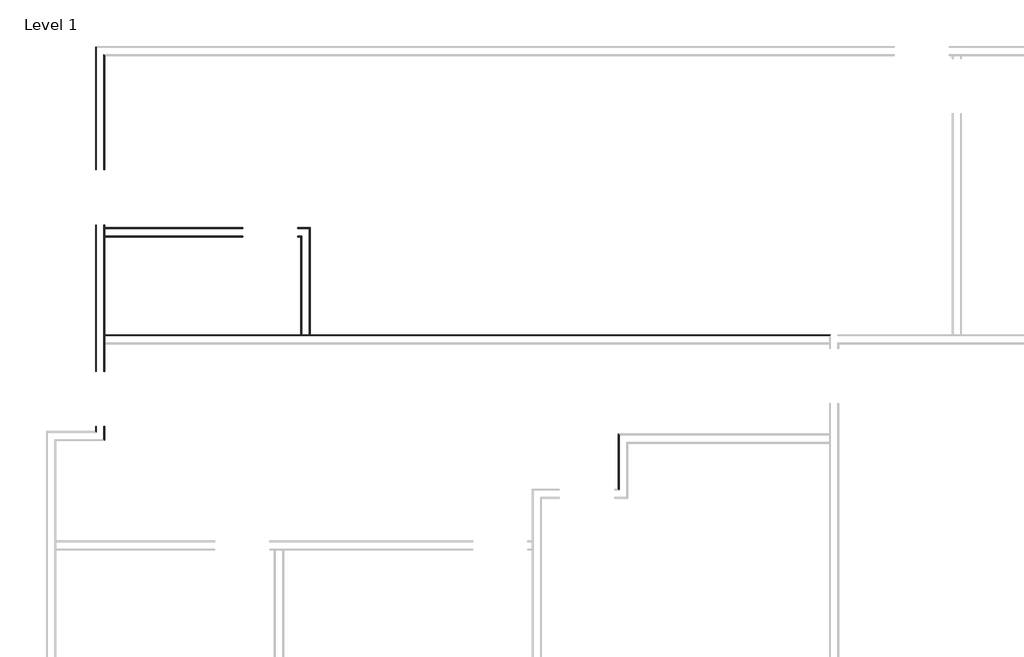
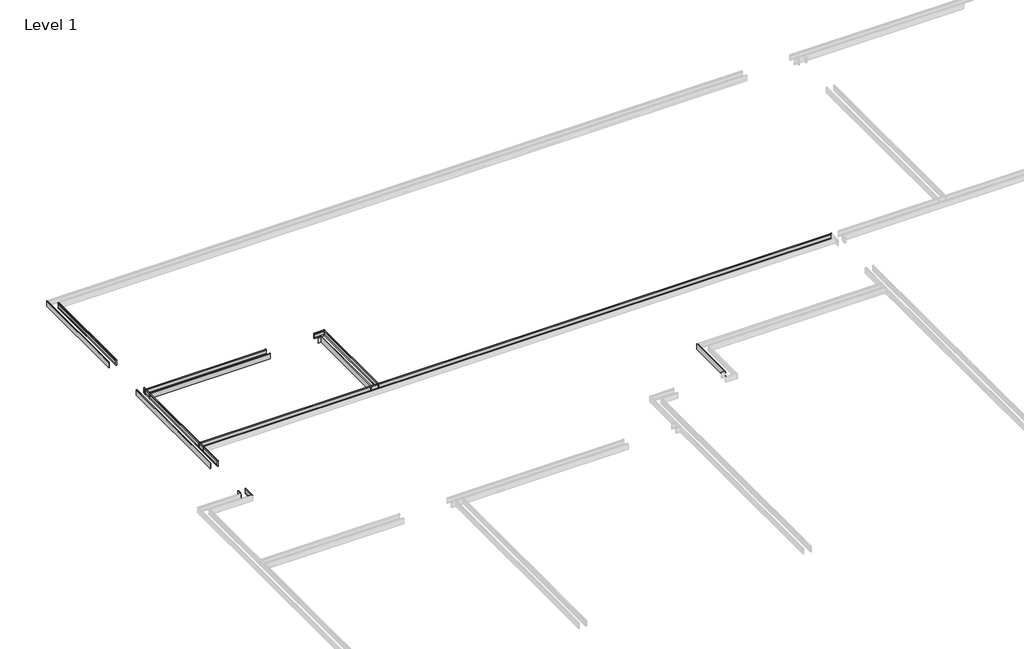
# One storey, part 47 of 51: 8 proxies.
"""IFC4 building model written with IfcOpenShell, lengths in millimetres."""

from ifc_helpers import new_model, si_unit, frame, origin, place, context, project, spatial, circle_curve, ellipse_curve, element, save
from ifc_brep_helpers import plane_surface, cylinder_surface, advanced_brep

model = new_model("IFC4")

# Units and contexts
model_context = context("Model", 3, world=origin())
ifc_project = project(units=[si_unit("LENGTHUNIT", "METRE", prefix="MILLI")], contexts=[model_context])

# Site, building, storey
site = spatial("IfcSite", under=ifc_project)
building = spatial("IfcBuilding", under=site)
storey = spatial("IfcBuildingStorey", under=building, Name="Level 1", Elevation=0.0)

# Proxies
placement = place(None, origin())
element("IfcBuildingElementProxy", 1, Name="Wall Sweeps", at=placement, inside=storey, context=model_context, shape_type="AdvancedBrep", body=[
    advanced_brep(
    [(142089.9478499, -13803.9301669, 22.1801656), (142089.9478499, -13800.5404634, 23.915644), (142089.9478499, -13800.5404634, 85.828144), (142089.9478499, -13803.9301669, 87.5505545), (142089.9478499, -13803.9301669, 107.95), (142089.9478499, -13792.8176669, 107.95), (142089.9478499, -13789.6426669, 104.775), (142089.9478499, -13789.6426669, 0.0), (142089.9478499, -13803.9301669, 0.0), (154143.553484, -13803.9301669, 22.1801656), (154143.553484, -13803.9301669, 0.0), (154143.553484, -13789.6426669, 0.0), (154143.553484, -13789.6426669, 104.775), (154143.553484, -13792.8176669, 107.95), (154143.553484, -13803.9301669, 107.95), (154143.553484, -13803.9301669, 87.5505545), (154143.553484, -13800.5404634, 85.828144), (154143.553484, -13800.5404634, 23.915644), (154129.265984, -13803.9301669, 0.0)],
    [
        (0, 1),
        (1, 2),
        (2, 3),
        (3, 4),
        (4, 5),
        (5, 6, circle_curve(frame((142089.9478499, -13792.8176669, 104.775), z_axis=(-1.0, 0.0, 0.0), x_axis=(0.0, 1.0, 0.0)), 3.175)),
        (6, 7),
        (7, 8),
        (8, 0),
        (9, 10),
        (10, 11),
        (11, 12),
        (12, 13, circle_curve(frame((154143.553484, -13792.8176669, 104.775), z_axis=(1.0, 0.0, 0.0), x_axis=(0.0, 1.0, 0.0)), 3.175)),
        (13, 14),
        (14, 15),
        (15, 16),
        (16, 17),
        (17, 9),
        (0, 9),
        (17, 1),
        (16, 2),
        (15, 3),
        (14, 4),
        (13, 5),
        (12, 6),
        (11, 7),
        (10, 18),
        (18, 8),
    ],
    [
        plane_surface(frame((142089.9478499, -13803.9301669, -108.5204596), z_axis=(-1.0, 0.0, 0.0), x_axis=(0.0, 1.0, 0.0))),
        plane_surface(frame((154143.553484, -13803.9301669, -108.5204596), z_axis=(1.0, 0.0, 0.0), x_axis=(0.0, 1.0, 0.0))),
        plane_surface(frame((142089.9478499, -13803.9301669, 22.1801656), z_axis=(0.0, -0.4557279043188856, 0.8901191365346083), x_axis=(1.0, 0.0, 0.0))),
        plane_surface(frame((142089.9478499, -13800.5404634, 23.915644), z_axis=(0.0, -1.0, 0.0), x_axis=(1.0, 0.0, 0.0))),
        plane_surface(frame((142089.9478499, -13800.5404634, 85.828144), z_axis=(0.0, -0.4530026868357818, -0.8915091506650745), x_axis=(1.0, 0.0, 0.0))),
        plane_surface(frame((142089.9478499, -13803.9301669, 87.5505545), z_axis=(0.0, -1.0, 0.0), x_axis=(1.0, 0.0, 0.0))),
        plane_surface(frame((142089.9478499, -13803.9301669, 107.95), z_axis=(0.0, 0.0, 1.0), x_axis=(1.0, 0.0, 0.0))),
        cylinder_surface(frame((142089.9478499, -13792.8176669, 104.775), z_axis=(-1.0, 0.0, 0.0), x_axis=(0.0, 1.0, 0.0)), 3.175),
        plane_surface(frame((142089.9478499, -13789.6426669, 104.775), z_axis=(0.0, 1.0, 0.0), x_axis=(1.0, 0.0, 0.0))),
        plane_surface(frame((142089.9478499, -13789.6426669, 0.0), z_axis=(0.0, 0.0, -1.0), x_axis=(1.0, 0.0, 0.0))),
        plane_surface(frame((142089.9478499, -13803.9301669, 0.0), z_axis=(0.0, -1.0, 0.0), x_axis=(1.0, 0.0, 0.0))),
    ],
    [
        (0, [[1, 2, 3, 4, 5, 6, 7, 8, 9]]),
        (1, [[10, 11, 12, 13, 14, 15, 16, 17, 18]]),
        (2, [[-1, 19, -18, 20]]),
        (3, [[-2, -20, -17, 21]]),
        (4, [[-3, -21, -16, 22]]),
        (5, [[-4, -22, -15, 23]]),
        (6, [[-5, -23, -14, 24]]),
        (7, [[-6, -24, -13, 25]]),
        (8, [[-7, -25, -12, 26]]),
        (9, [[-8, -26, -11, 27, 28]]),
        (10, [[-9, -28, -27, -10, -19]]),
    ],
),
])
element("IfcBuildingElementProxy", 2, Name="Wall Sweeps", at=placement, inside=storey, context=model_context, shape_type="AdvancedBrep", body=[
    advanced_brep(
    [(145372.615984, -13803.9301669, 22.1801656), (145369.2262805, -13803.9301669, 23.915644), (145369.2262805, -13803.9301669, 85.828144), (145372.615984, -13803.9301669, 87.5505545), (145372.615984, -13803.9301669, 107.95), (145361.503484, -13803.9301669, 107.95), (145358.328484, -13803.9301669, 104.775), (145358.328484, -13803.9301669, 0.0), (145372.615984, -13803.9301669, 0.0), (145372.615984, -12149.7551669, 22.1801656), (145372.615984, -12149.7551669, 0.0), (145358.328484, -12164.0426669, 0.0), (145358.328484, -12164.0426669, 104.775), (145361.503484, -12160.8676669, 107.95), (145372.615984, -12149.7551669, 107.95), (145372.615984, -12149.7551669, 87.5505545), (145369.2262805, -12153.1448704, 85.828144), (145369.2262805, -12153.1448704, 23.915644)],
    [
        (0, 1),
        (1, 2),
        (2, 3),
        (3, 4),
        (4, 5),
        (5, 6, circle_curve(frame((145361.503484, -13803.9301669, 104.775), z_axis=(0.0, -1.0, 0.0), x_axis=(-1.0, 0.0, 0.0)), 3.175)),
        (6, 7),
        (7, 8),
        (8, 0),
        (9, 10),
        (10, 11),
        (11, 12),
        (12, 13, ellipse_curve(frame((145361.503484, -12160.8676669, 104.775), z_axis=(-0.707106781186544, 0.7071067811865511, 0.0), x_axis=(-0.7071067811865511, -0.7071067811865439, 0.0)), 4.4901281, 3.175)),
        (13, 14),
        (14, 15),
        (15, 16),
        (16, 17),
        (17, 9),
        (0, 9),
        (17, 1),
        (16, 2),
        (15, 3),
        (14, 4),
        (13, 5),
        (12, 6),
        (11, 7),
        (10, 8),
    ],
    [
        plane_surface(frame((145264.0955244, -13803.9301669, 0.0), z_axis=(0.0, -1.0, 0.0), x_axis=(0.0, 0.0, 1.0))),
        plane_surface(frame((145372.615984, -12149.7551669, -304.8), z_axis=(-0.707106781186544, 0.7071067811865511, 0.0), x_axis=(-0.7071067811865511, -0.707106781186544, 0.0))),
        plane_surface(frame((145372.615984, -13803.9301669, 22.1801656), z_axis=(0.4557279043188856, 0.0, 0.8901191365346083), x_axis=(0.0, 1.0, 0.0))),
        plane_surface(frame((145369.2262805, -13803.9301669, 23.915644), z_axis=(1.0, 0.0, 0.0), x_axis=(0.0, 1.0, 0.0))),
        plane_surface(frame((145369.2262805, -13803.9301669, 85.828144), z_axis=(0.4530026868357818, 0.0, -0.8915091506650745), x_axis=(0.0, 1.0, 0.0))),
        plane_surface(frame((145372.615984, -13803.9301669, 87.5505545), z_axis=(1.0, 0.0, 0.0), x_axis=(0.0, 1.0, 0.0))),
        plane_surface(frame((145372.615984, -13803.9301669, 107.95), z_axis=(0.0, 0.0, 1.0), x_axis=(0.0, 1.0, 0.0))),
        cylinder_surface(frame((145361.503484, -13803.9301669, 104.775), z_axis=(0.0, -1.0, 0.0), x_axis=(-1.0, 0.0, 0.0)), 3.175),
        plane_surface(frame((145358.328484, -13803.9301669, 104.775), z_axis=(-1.0, 0.0, 0.0), x_axis=(0.0, 1.0, 0.0))),
        plane_surface(frame((145358.328484, -13803.9301669, 0.0), z_axis=(0.0, 0.0, -1.0), x_axis=(0.0, 1.0, 0.0))),
        plane_surface(frame((145372.615984, -13803.9301669, 0.0), z_axis=(1.0, 0.0, 0.0), x_axis=(0.0, 1.0, 0.0))),
    ],
    [
        (0, [[1, 2, 3, 4, 5, 6, 7, 8, 9]]),
        (1, [[10, 11, 12, 13, 14, 15, 16, 17, 18]]),
        (2, [[-1, 19, -18, 20]]),
        (3, [[-2, -20, -17, 21]]),
        (4, [[-3, -21, -16, 22]]),
        (5, [[-4, -22, -15, 23]]),
        (6, [[-5, -23, -14, 24]]),
        (7, [[-6, -24, -13, 25]]),
        (8, [[-7, -25, -12, 26]]),
        (9, [[-8, -26, -11, 27]]),
        (10, [[-9, -27, -10, -19]]),
    ],
),
])
element("IfcBuildingElementProxy", 3, Name="Wall Sweeps", at=placement, inside=storey, context=model_context, shape_type="AdvancedBrep", body=[
    advanced_brep(
    [(145496.440984, -13803.9301669, 22.1801656), (145496.440984, -13803.9301669, 0.0), (145510.728484, -13803.9301669, 0.0), (145510.728484, -13803.9301669, 104.775), (145507.553484, -13803.9301669, 107.95), (145496.440984, -13803.9301669, 107.95), (145496.440984, -13803.9301669, 87.5505545), (145499.8306875, -13803.9301669, 85.828144), (145499.8306875, -13803.9301669, 23.915644), (145496.440984, -12025.9301669, 22.1801656), (145499.8306875, -12022.5404634, 23.915644), (145499.8306875, -12022.5404634, 85.828144), (145496.440984, -12025.9301669, 87.5505545), (145496.440984, -12025.9301669, 107.95), (145507.553484, -12014.8176669, 107.95), (145510.728484, -12011.6426669, 104.775), (145510.728484, -12011.6426669, 0.0), (145496.440984, -12025.9301669, 0.0)],
    [
        (0, 1),
        (1, 2),
        (2, 3),
        (3, 4, circle_curve(frame((145507.553484, -13803.9301669, 104.775), z_axis=(0.0, -1.0, 0.0), x_axis=(1.0, 0.0, 0.0)), 3.175)),
        (4, 5),
        (5, 6),
        (6, 7),
        (7, 8),
        (8, 0),
        (9, 10),
        (10, 11),
        (11, 12),
        (12, 13),
        (13, 14),
        (14, 15, ellipse_curve(frame((145507.553484, -12014.8176669, 104.775), z_axis=(-0.707106781186544, 0.7071067811865511, 0.0), x_axis=(-0.7071067811865511, -0.7071067811865439, 0.0)), 4.4901281, 3.175)),
        (15, 16),
        (16, 17),
        (17, 9),
        (0, 9),
        (17, 1),
        (16, 2),
        (15, 3),
        (14, 4),
        (13, 5),
        (12, 6),
        (11, 7),
        (10, 8),
    ],
    [
        plane_surface(frame((145387.9205244, -13803.9301669, 0.0), z_axis=(0.0, -1.0, 0.0), x_axis=(0.0, 0.0, 1.0))),
        plane_surface(frame((145496.440984, -12025.9301669, -304.8), z_axis=(-0.707106781186544, 0.7071067811865511, 0.0), x_axis=(-0.7071067811865511, -0.707106781186544, 0.0))),
        plane_surface(frame((145496.440984, -13803.9301669, 22.1801656), z_axis=(-1.0, 0.0, 0.0), x_axis=(0.0, 1.0, 0.0))),
        plane_surface(frame((145496.440984, -13803.9301669, 0.0), z_axis=(0.0, 0.0, -1.0), x_axis=(0.0, 1.0, 0.0))),
        plane_surface(frame((145510.728484, -13803.9301669, 0.0), z_axis=(1.0, 0.0, 0.0), x_axis=(0.0, 1.0, 0.0))),
        cylinder_surface(frame((145507.553484, -13803.9301669, 104.775), z_axis=(0.0, -1.0, 0.0), x_axis=(1.0, 0.0, 0.0)), 3.175),
        plane_surface(frame((145507.553484, -13803.9301669, 107.95), z_axis=(0.0, 0.0, 1.0), x_axis=(0.0, 1.0, 0.0))),
        plane_surface(frame((145496.440984, -13803.9301669, 107.95), z_axis=(-1.0, 0.0, 0.0), x_axis=(0.0, 1.0, 0.0))),
        plane_surface(frame((145496.440984, -13803.9301669, 87.5505545), z_axis=(-0.4530026868357818, 0.0, -0.8915091506650745), x_axis=(0.0, 1.0, 0.0))),
        plane_surface(frame((145499.8306875, -13803.9301669, 85.828144), z_axis=(-1.0, 0.0, 0.0), x_axis=(0.0, 1.0, 0.0))),
        plane_surface(frame((145499.8306875, -13803.9301669, 23.915644), z_axis=(-0.4557279043188856, 0.0, 0.8901191365346083), x_axis=(0.0, 1.0, 0.0))),
    ],
    [
        (0, [[1, 2, 3, 4, 5, 6, 7, 8, 9]]),
        (1, [[10, 11, 12, 13, 14, 15, 16, 17, 18]]),
        (2, [[-1, 19, -18, 20]]),
        (3, [[-2, -20, -17, 21]]),
        (4, [[-3, -21, -16, 22]]),
        (5, [[-4, -22, -15, 23]]),
        (6, [[-5, -23, -14, 24]]),
        (7, [[-6, -24, -13, 25]]),
        (8, [[-7, -25, -12, 26]]),
        (9, [[-8, -26, -11, 27]]),
        (10, [[-9, -27, -10, -19]]),
    ],
),
])
element("IfcBuildingElementProxy", 4, Name="Wall Sweeps", at=placement, inside=storey, context=model_context, shape_type="AdvancedBrep", body=[
    advanced_brep(
    [(144393.128484, -12149.7551669, 22.1801656), (144393.128484, -12153.1448704, 23.915644), (144393.128484, -12153.1448704, 85.828144), (144393.128484, -12149.7551669, 87.5505545), (144393.128484, -12149.7551669, 107.95), (144393.128484, -12160.8676669, 107.95), (144393.128484, -12164.0426669, 104.775), (144393.128484, -12164.0426669, 0.0), (144393.128484, -12149.7551669, 0.0), (142089.9478499, -12149.7551669, 22.1801656), (142089.9478499, -12149.7551669, 0.0), (142089.9478499, -12164.0426669, 0.0), (142089.9478499, -12164.0426669, 104.775), (142089.9478499, -12160.8676669, 107.95), (142089.9478499, -12149.7551669, 107.95), (142089.9478499, -12149.7551669, 87.5505545), (142089.9478499, -12153.1448704, 85.828144), (142089.9478499, -12153.1448704, 23.915644)],
    [
        (0, 1),
        (1, 2),
        (2, 3),
        (3, 4),
        (4, 5),
        (5, 6, circle_curve(frame((144393.128484, -12160.8676669, 104.775), z_axis=(1.0, 0.0, 0.0), x_axis=(0.0, -1.0, 0.0)), 3.175)),
        (6, 7),
        (7, 8),
        (8, 0),
        (9, 10),
        (10, 11),
        (11, 12),
        (12, 13, circle_curve(frame((142089.9478499, -12160.8676669, 104.775), z_axis=(-1.0, 0.0, 0.0), x_axis=(0.0, -1.0, 0.0)), 3.175)),
        (13, 14),
        (14, 15),
        (15, 16),
        (16, 17),
        (17, 9),
        (0, 9),
        (17, 1),
        (16, 2),
        (15, 3),
        (14, 4),
        (13, 5),
        (12, 6),
        (11, 7),
        (10, 8),
    ],
    [
        plane_surface(frame((144393.128484, -12149.7551669, -108.5204596), z_axis=(1.0, 0.0, 0.0), x_axis=(0.0, -1.0, 0.0))),
        plane_surface(frame((142089.9478499, -12149.7551669, -108.5204596), z_axis=(-1.0, 0.0, 0.0), x_axis=(0.0, -1.0, 0.0))),
        plane_surface(frame((144393.128484, -12149.7551669, 22.1801656), z_axis=(0.0, 0.4557279043188856, 0.8901191365346083), x_axis=(-1.0, 0.0, 0.0))),
        plane_surface(frame((144393.128484, -12153.1448704, 23.915644), z_axis=(0.0, 1.0, 0.0), x_axis=(-1.0, 0.0, 0.0))),
        plane_surface(frame((144393.128484, -12153.1448704, 85.828144), z_axis=(0.0, 0.4530026868357818, -0.8915091506650745), x_axis=(-1.0, 0.0, 0.0))),
        plane_surface(frame((144393.128484, -12149.7551669, 87.5505545), z_axis=(0.0, 1.0, 0.0), x_axis=(-1.0, 0.0, 0.0))),
        plane_surface(frame((144393.128484, -12149.7551669, 107.95), z_axis=(0.0, 0.0, 1.0), x_axis=(-1.0, 0.0, 0.0))),
        cylinder_surface(frame((144393.128484, -12160.8676669, 104.775), z_axis=(1.0, 0.0, 0.0), x_axis=(0.0, -1.0, 0.0)), 3.175),
        plane_surface(frame((144393.128484, -12164.0426669, 104.775), z_axis=(0.0, -1.0, 0.0), x_axis=(-1.0, 0.0, 0.0))),
        plane_surface(frame((144393.128484, -12164.0426669, 0.0), z_axis=(0.0, 0.0, -1.0), x_axis=(-1.0, 0.0, 0.0))),
        plane_surface(frame((144393.128484, -12149.7551669, 0.0), z_axis=(0.0, 1.0, 0.0), x_axis=(-1.0, 0.0, 0.0))),
    ],
    [
        (0, [[1, 2, 3, 4, 5, 6, 7, 8, 9]]),
        (1, [[10, 11, 12, 13, 14, 15, 16, 17, 18]]),
        (2, [[-1, 19, -18, 20]]),
        (3, [[-2, -20, -17, 21]]),
        (4, [[-3, -21, -16, 22]]),
        (5, [[-4, -22, -15, 23]]),
        (6, [[-5, -23, -14, 24]]),
        (7, [[-6, -24, -13, 25]]),
        (8, [[-7, -25, -12, 26]]),
        (9, [[-8, -26, -11, 27]]),
        (10, [[-9, -27, -10, -19]]),
    ],
),
    advanced_brep(
    [(145372.615984, -12149.7551669, 22.1801656), (145369.2262805, -12153.1448704, 23.915644), (145369.2262805, -12153.1448704, 85.828144), (145372.615984, -12149.7551669, 87.5505545), (145372.615984, -12149.7551669, 107.95), (145361.503484, -12160.8676669, 107.95), (145358.328484, -12164.0426669, 104.775), (145358.328484, -12164.0426669, 0.0), (145372.615984, -12149.7551669, 0.0), (145307.528484, -12149.7551669, 22.1801656), (145307.528484, -12149.7551669, 0.0), (145307.528484, -12164.0426669, 0.0), (145307.528484, -12164.0426669, 104.775), (145307.528484, -12160.8676669, 107.95), (145307.528484, -12149.7551669, 107.95), (145307.528484, -12149.7551669, 87.5505545), (145307.528484, -12153.1448704, 85.828144), (145307.528484, -12153.1448704, 23.915644)],
    [
        (0, 1),
        (1, 2),
        (2, 3),
        (3, 4),
        (4, 5),
        (5, 6, ellipse_curve(frame((145361.503484, -12160.8676669, 104.775), z_axis=(0.707106781186544, -0.7071067811865511, 0.0), x_axis=(0.7071067811865508, 0.7071067811865441, 0.0)), 4.4901281, 3.175)),
        (6, 7),
        (7, 8),
        (8, 0),
        (9, 10),
        (10, 11),
        (11, 12),
        (12, 13, circle_curve(frame((145307.528484, -12160.8676669, 104.775), z_axis=(-1.0, 0.0, 0.0), x_axis=(0.0, -1.0, 0.0)), 3.175)),
        (13, 14),
        (14, 15),
        (15, 16),
        (16, 17),
        (17, 9),
        (0, 9),
        (17, 1),
        (16, 2),
        (15, 3),
        (14, 4),
        (13, 5),
        (12, 6),
        (11, 7),
        (10, 8),
    ],
    [
        plane_surface(frame((145372.615984, -12149.7551669, -304.8), z_axis=(0.707106781186544, -0.7071067811865511, 0.0), x_axis=(-0.7071067811865511, -0.707106781186544, 0.0))),
        plane_surface(frame((145307.528484, -12149.7551669, -108.5204596), z_axis=(-1.0, 0.0, 0.0), x_axis=(0.0, -1.0, 0.0))),
        plane_surface(frame((145372.615984, -12149.7551669, 22.1801656), z_axis=(0.0, 0.4557279043188856, 0.8901191365346083), x_axis=(-1.0, 0.0, 0.0))),
        plane_surface(frame((145369.2262805, -12153.1448704, 23.915644), z_axis=(0.0, 1.0, 0.0), x_axis=(-1.0, 0.0, 0.0))),
        plane_surface(frame((145369.2262805, -12153.1448704, 85.828144), z_axis=(0.0, 0.4530026868357818, -0.8915091506650745), x_axis=(-1.0, 0.0, 0.0))),
        plane_surface(frame((145372.615984, -12149.7551669, 87.5505545), z_axis=(0.0, 1.0, 0.0), x_axis=(-1.0, 0.0, 0.0))),
        plane_surface(frame((145372.615984, -12149.7551669, 107.95), z_axis=(0.0, 0.0, 1.0), x_axis=(-1.0, 0.0, 0.0))),
        cylinder_surface(frame((145372.615984, -12160.8676669, 104.775), z_axis=(1.0, 0.0, 0.0), x_axis=(0.0, -1.0, 0.0)), 3.175),
        plane_surface(frame((145358.328484, -12164.0426669, 104.775), z_axis=(0.0, -1.0, 0.0), x_axis=(-1.0, 0.0, 0.0))),
        plane_surface(frame((145358.328484, -12164.0426669, 0.0), z_axis=(0.0, 0.0, -1.0), x_axis=(-1.0, 0.0, 0.0))),
        plane_surface(frame((145372.615984, -12149.7551669, 0.0), z_axis=(0.0, 1.0, 0.0), x_axis=(-1.0, 0.0, 0.0))),
    ],
    [
        (0, [[1, 2, 3, 4, 5, 6, 7, 8, 9]]),
        (1, [[10, 11, 12, 13, 14, 15, 16, 17, 18]]),
        (2, [[-1, 19, -18, 20]]),
        (3, [[-2, -20, -17, 21]]),
        (4, [[-3, -21, -16, 22]]),
        (5, [[-4, -22, -15, 23]]),
        (6, [[-5, -23, -14, 24]]),
        (7, [[-6, -24, -13, 25]]),
        (8, [[-7, -25, -12, 26]]),
        (9, [[-8, -26, -11, 27]]),
        (10, [[-9, -27, -10, -19]]),
    ],
),
])
element("IfcBuildingElementProxy", 5, Name="Wall Sweeps", at=placement, inside=storey, context=model_context, shape_type="AdvancedBrep", body=[
    advanced_brep(
    [(145496.440984, -12025.9301669, 22.1801656), (145496.440984, -12025.9301669, 0.0), (145510.728484, -12011.6426669, 0.0), (145510.728484, -12011.6426669, 104.775), (145507.553484, -12014.8176669, 107.95), (145496.440984, -12025.9301669, 107.95), (145496.440984, -12025.9301669, 87.5505545), (145499.8306875, -12022.5404634, 85.828144), (145499.8306875, -12022.5404634, 23.915644), (145307.528484, -12025.9301669, 22.1801656), (145307.528484, -12022.5404634, 23.915644), (145307.528484, -12022.5404634, 85.828144), (145307.528484, -12025.9301669, 87.5505545), (145307.528484, -12025.9301669, 107.95), (145307.528484, -12014.8176669, 107.95), (145307.528484, -12011.6426669, 104.775), (145307.528484, -12011.6426669, 0.0), (145307.528484, -12025.9301669, 0.0), (145372.615984, -12025.9301669, 0.0)],
    [
        (0, 1),
        (1, 2),
        (2, 3),
        (3, 4, ellipse_curve(frame((145507.553484, -12014.8176669, 104.775), z_axis=(0.707106781186544, -0.7071067811865511, 0.0), x_axis=(0.7071067811865508, 0.7071067811865441, 0.0)), 4.4901281, 3.175)),
        (4, 5),
        (5, 6),
        (6, 7),
        (7, 8),
        (8, 0),
        (9, 10),
        (10, 11),
        (11, 12),
        (12, 13),
        (13, 14),
        (14, 15, circle_curve(frame((145307.528484, -12014.8176669, 104.775), z_axis=(-1.0, 0.0, 0.0), x_axis=(0.0, 1.0, 0.0)), 3.175)),
        (15, 16),
        (16, 17),
        (17, 9),
        (0, 9),
        (17, 18),
        (18, 1),
        (16, 2),
        (15, 3),
        (14, 4),
        (13, 5),
        (12, 6),
        (11, 7),
        (10, 8),
    ],
    [
        plane_surface(frame((145496.440984, -12025.9301669, -304.8), z_axis=(0.707106781186544, -0.7071067811865511, 0.0), x_axis=(-0.7071067811865511, -0.707106781186544, 0.0))),
        plane_surface(frame((145307.528484, -12025.9301669, -108.5204596), z_axis=(-1.0, 0.0, 0.0), x_axis=(0.0, -1.0, 0.0))),
        plane_surface(frame((145496.440984, -12025.9301669, 22.1801656), z_axis=(0.0, -1.0, 0.0), x_axis=(-1.0, 0.0, 0.0))),
        plane_surface(frame((145496.440984, -12025.9301669, 0.0), z_axis=(0.0, 0.0, -1.0), x_axis=(-1.0, 0.0, 0.0))),
        plane_surface(frame((145510.728484, -12011.6426669, 0.0), z_axis=(0.0, 1.0, 0.0), x_axis=(-1.0, 0.0, 0.0))),
        cylinder_surface(frame((145496.440984, -12014.8176669, 104.775), z_axis=(1.0, 0.0, 0.0), x_axis=(0.0, 1.0, 0.0)), 3.175),
        plane_surface(frame((145507.553484, -12014.8176669, 107.95), z_axis=(0.0, 0.0, 1.0), x_axis=(-1.0, 0.0, 0.0))),
        plane_surface(frame((145496.440984, -12025.9301669, 107.95), z_axis=(0.0, -1.0, 0.0), x_axis=(-1.0, 0.0, 0.0))),
        plane_surface(frame((145496.440984, -12025.9301669, 87.5505545), z_axis=(0.0, -0.4530026868357818, -0.8915091506650745), x_axis=(-1.0, 0.0, 0.0))),
        plane_surface(frame((145499.8306875, -12022.5404634, 85.828144), z_axis=(0.0, -1.0, 0.0), x_axis=(-1.0, 0.0, 0.0))),
        plane_surface(frame((145499.8306875, -12022.5404634, 23.915644), z_axis=(0.0, -0.4557279043188856, 0.8901191365346083), x_axis=(-1.0, 0.0, 0.0))),
    ],
    [
        (0, [[1, 2, 3, 4, 5, 6, 7, 8, 9]]),
        (1, [[10, 11, 12, 13, 14, 15, 16, 17, 18]]),
        (2, [[-1, 19, -18, 20, 21]]),
        (3, [[-2, -21, -20, -17, 22]]),
        (4, [[-3, -22, -16, 23]]),
        (5, [[-4, -23, -15, 24]]),
        (6, [[-5, -24, -14, 25]]),
        (7, [[-6, -25, -13, 26]]),
        (8, [[-7, -26, -12, 27]]),
        (9, [[-8, -27, -11, 28]]),
        (10, [[-9, -28, -10, -19]]),
    ],
),
    advanced_brep(
    [(144393.128484, -12025.9301669, 22.1801656), (144393.128484, -12025.9301669, 0.0), (144393.128484, -12011.6426669, 0.0), (144393.128484, -12011.6426669, 104.775), (144393.128484, -12014.8176669, 107.95), (144393.128484, -12025.9301669, 107.95), (144393.128484, -12025.9301669, 87.5505545), (144393.128484, -12022.5404634, 85.828144), (144393.128484, -12022.5404634, 23.915644), (142089.9478499, -12025.9301669, 22.1801656), (142089.9478499, -12022.5404634, 23.915644), (142089.9478499, -12022.5404634, 85.828144), (142089.9478499, -12025.9301669, 87.5505545), (142089.9478499, -12025.9301669, 107.95), (142089.9478499, -12014.8176669, 107.95), (142089.9478499, -12011.6426669, 104.775), (142089.9478499, -12011.6426669, 0.0), (142089.9478499, -12025.9301669, 0.0)],
    [
        (0, 1),
        (1, 2),
        (2, 3),
        (3, 4, circle_curve(frame((144393.128484, -12014.8176669, 104.775), z_axis=(1.0, 0.0, 0.0), x_axis=(0.0, 1.0, 0.0)), 3.175)),
        (4, 5),
        (5, 6),
        (6, 7),
        (7, 8),
        (8, 0),
        (9, 10),
        (10, 11),
        (11, 12),
        (12, 13),
        (13, 14),
        (14, 15, circle_curve(frame((142089.9478499, -12014.8176669, 104.775), z_axis=(-1.0, 0.0, 0.0), x_axis=(0.0, 1.0, 0.0)), 3.175)),
        (15, 16),
        (16, 17),
        (17, 9),
        (0, 9),
        (17, 1),
        (16, 2),
        (15, 3),
        (14, 4),
        (13, 5),
        (12, 6),
        (11, 7),
        (10, 8),
    ],
    [
        plane_surface(frame((144393.128484, -12025.9301669, -108.5204596), z_axis=(1.0, 0.0, 0.0), x_axis=(0.0, -1.0, 0.0))),
        plane_surface(frame((142089.9478499, -12025.9301669, -108.5204596), z_axis=(-1.0, 0.0, 0.0), x_axis=(0.0, -1.0, 0.0))),
        plane_surface(frame((144393.128484, -12025.9301669, 22.1801656), z_axis=(0.0, -1.0, 0.0), x_axis=(-1.0, 0.0, 0.0))),
        plane_surface(frame((144393.128484, -12025.9301669, 0.0), z_axis=(0.0, 0.0, -1.0), x_axis=(-1.0, 0.0, 0.0))),
        plane_surface(frame((144393.128484, -12011.6426669, 0.0), z_axis=(0.0, 1.0, 0.0), x_axis=(-1.0, 0.0, 0.0))),
        cylinder_surface(frame((144393.128484, -12014.8176669, 104.775), z_axis=(1.0, 0.0, 0.0), x_axis=(0.0, 1.0, 0.0)), 3.175),
        plane_surface(frame((144393.128484, -12014.8176669, 107.95), z_axis=(0.0, 0.0, 1.0), x_axis=(-1.0, 0.0, 0.0))),
        plane_surface(frame((144393.128484, -12025.9301669, 107.95), z_axis=(0.0, -1.0, 0.0), x_axis=(-1.0, 0.0, 0.0))),
        plane_surface(frame((144393.128484, -12025.9301669, 87.5505545), z_axis=(0.0, -0.4530026868357818, -0.8915091506650745), x_axis=(-1.0, 0.0, 0.0))),
        plane_surface(frame((144393.128484, -12022.5404634, 85.828144), z_axis=(0.0, -1.0, 0.0), x_axis=(-1.0, 0.0, 0.0))),
        plane_surface(frame((144393.128484, -12022.5404634, 23.915644), z_axis=(0.0, -0.4557279043188856, 0.8901191365346083), x_axis=(-1.0, 0.0, 0.0))),
    ],
    [
        (0, [[1, 2, 3, 4, 5, 6, 7, 8, 9]]),
        (1, [[10, 11, 12, 13, 14, 15, 16, 17, 18]]),
        (2, [[-1, 19, -18, 20]]),
        (3, [[-2, -20, -17, 21]]),
        (4, [[-3, -21, -16, 22]]),
        (5, [[-4, -22, -15, 23]]),
        (6, [[-5, -23, -14, 24]]),
        (7, [[-6, -24, -13, 25]]),
        (8, [[-7, -25, -12, 26]]),
        (9, [[-8, -26, -11, 27]]),
        (10, [[-9, -27, -10, -19]]),
    ],
),
])
element("IfcBuildingElementProxy", 6, Name="Wall Sweeps", at=placement, inside=storey, context=model_context, shape_type="AdvancedBrep", body=[
    advanced_brep(
    [(141966.1228499, -11049.6176669, 22.1801656), (141962.7331464, -11049.6176669, 23.915644), (141962.7331464, -11049.6176669, 85.828144), (141966.1228499, -11049.6176669, 87.5505545), (141966.1228499, -11049.6176669, 107.95), (141955.0103499, -11049.6176669, 107.95), (141951.8353499, -11049.6176669, 104.775), (141951.8353499, -11049.6176669, 0.0), (141966.1228499, -11049.6176669, 0.0), (141966.1228499, -9017.6176669, 22.1801656), (141966.1228499, -9017.6176669, 0.0), (141951.8353499, -9003.3301669, 0.0), (141951.8353499, -9003.3301669, 104.775), (141955.0103499, -9006.5051669, 107.95), (141966.1228499, -9017.6176669, 107.95), (141966.1228499, -9017.6176669, 87.5505545), (141962.7331464, -9014.2279634, 85.828144), (141962.7331464, -9014.2279634, 23.915644), (141966.1228499, -9141.4426669, 0.0)],
    [
        (0, 1),
        (1, 2),
        (2, 3),
        (3, 4),
        (4, 5),
        (5, 6, circle_curve(frame((141955.0103499, -11049.6176669, 104.775), z_axis=(0.0, -1.0, 0.0), x_axis=(-1.0, 0.0, 0.0)), 3.175)),
        (6, 7),
        (7, 8),
        (8, 0),
        (9, 10),
        (10, 11),
        (11, 12),
        (12, 13, ellipse_curve(frame((141955.0103499, -9006.5051669, 104.775), z_axis=(0.7071067811865458, 0.7071067811865493, 0.0), x_axis=(0.7071067811865493, -0.7071067811865456, 0.0)), 4.4901281, 3.175)),
        (13, 14),
        (14, 15),
        (15, 16),
        (16, 17),
        (17, 9),
        (0, 9),
        (17, 1),
        (16, 2),
        (15, 3),
        (14, 4),
        (13, 5),
        (12, 6),
        (11, 7),
        (10, 18),
        (18, 8),
    ],
    [
        plane_surface(frame((141857.6023903, -11049.6176669, 0.0), z_axis=(0.0, -1.0, 0.0), x_axis=(0.0, 0.0, 1.0))),
        plane_surface(frame((141966.1228499, -9017.6176669, 304.8), z_axis=(0.7071067811865458, 0.7071067811865493, 0.0), x_axis=(0.7071067811865493, -0.7071067811865458, 0.0))),
        plane_surface(frame((141966.1228499, -11049.6176669, 22.1801656), z_axis=(0.4557279043188856, 0.0, 0.8901191365346083), x_axis=(0.0, 1.0, 0.0))),
        plane_surface(frame((141962.7331464, -11049.6176669, 23.915644), z_axis=(1.0, 0.0, 0.0), x_axis=(0.0, 1.0, 0.0))),
        plane_surface(frame((141962.7331464, -11049.6176669, 85.828144), z_axis=(0.4530026868357818, 0.0, -0.8915091506650745), x_axis=(0.0, 1.0, 0.0))),
        plane_surface(frame((141966.1228499, -11049.6176669, 87.5505545), z_axis=(1.0, 0.0, 0.0), x_axis=(0.0, 1.0, 0.0))),
        plane_surface(frame((141966.1228499, -11049.6176669, 107.95), z_axis=(0.0, 0.0, 1.0), x_axis=(0.0, 1.0, 0.0))),
        cylinder_surface(frame((141955.0103499, -11049.6176669, 104.775), z_axis=(0.0, -1.0, 0.0), x_axis=(-1.0, 0.0, 0.0)), 3.175),
        plane_surface(frame((141951.8353499, -11049.6176669, 104.775), z_axis=(-1.0, 0.0, 0.0), x_axis=(0.0, 1.0, 0.0))),
        plane_surface(frame((141951.8353499, -11049.6176669, 0.0), z_axis=(0.0, 0.0, -1.0), x_axis=(0.0, 1.0, 0.0))),
        plane_surface(frame((141966.1228499, -11049.6176669, 0.0), z_axis=(1.0, 0.0, 0.0), x_axis=(0.0, 1.0, 0.0))),
    ],
    [
        (0, [[1, 2, 3, 4, 5, 6, 7, 8, 9]]),
        (1, [[10, 11, 12, 13, 14, 15, 16, 17, 18]]),
        (2, [[-1, 19, -18, 20]]),
        (3, [[-2, -20, -17, 21]]),
        (4, [[-3, -21, -16, 22]]),
        (5, [[-4, -22, -15, 23]]),
        (6, [[-5, -23, -14, 24]]),
        (7, [[-6, -24, -13, 25]]),
        (8, [[-7, -25, -12, 26]]),
        (9, [[-8, -26, -11, 27, 28]]),
        (10, [[-9, -28, -27, -10, -19]]),
    ],
),
    advanced_brep(
    [(141966.1228499, -14399.2426669, 22.1801656), (141962.7331464, -14399.2426669, 23.915644), (141962.7331464, -14399.2426669, 85.828144), (141966.1228499, -14399.2426669, 87.5505545), (141966.1228499, -14399.2426669, 107.95), (141955.0103499, -14399.2426669, 107.95), (141951.8353499, -14399.2426669, 104.775), (141951.8353499, -14399.2426669, 0.0), (141966.1228499, -14399.2426669, 0.0), (141966.1228499, -11964.0176669, 22.1801656), (141966.1228499, -11964.0176669, 0.0), (141951.8353499, -11964.0176669, 0.0), (141951.8353499, -11964.0176669, 104.775), (141955.0103499, -11964.0176669, 107.95), (141966.1228499, -11964.0176669, 107.95), (141966.1228499, -11964.0176669, 87.5505545), (141962.7331464, -11964.0176669, 85.828144), (141962.7331464, -11964.0176669, 23.915644)],
    [
        (0, 1),
        (1, 2),
        (2, 3),
        (3, 4),
        (4, 5),
        (5, 6, circle_curve(frame((141955.0103499, -14399.2426669, 104.775), z_axis=(0.0, -1.0, 0.0), x_axis=(-1.0, 0.0, 0.0)), 3.175)),
        (6, 7),
        (7, 8),
        (8, 0),
        (9, 10),
        (10, 11),
        (11, 12),
        (12, 13, circle_curve(frame((141955.0103499, -11964.0176669, 104.775), z_axis=(0.0, 1.0, 0.0), x_axis=(-1.0, 0.0, 0.0)), 3.175)),
        (13, 14),
        (14, 15),
        (15, 16),
        (16, 17),
        (17, 9),
        (0, 9),
        (17, 1),
        (16, 2),
        (15, 3),
        (14, 4),
        (13, 5),
        (12, 6),
        (11, 7),
        (10, 8),
    ],
    [
        plane_surface(frame((141857.6023903, -14399.2426669, 0.0), z_axis=(0.0, -1.0, 0.0), x_axis=(0.0, 0.0, 1.0))),
        plane_surface(frame((141857.6023903, -11964.0176669, 0.0), z_axis=(0.0, 1.0, 0.0), x_axis=(0.0, 0.0, 1.0))),
        plane_surface(frame((141966.1228499, -14399.2426669, 22.1801656), z_axis=(0.4557279043188856, 0.0, 0.8901191365346083), x_axis=(0.0, 1.0, 0.0))),
        plane_surface(frame((141962.7331464, -14399.2426669, 23.915644), z_axis=(1.0, 0.0, 0.0), x_axis=(0.0, 1.0, 0.0))),
        plane_surface(frame((141962.7331464, -14399.2426669, 85.828144), z_axis=(0.4530026868357818, 0.0, -0.8915091506650745), x_axis=(0.0, 1.0, 0.0))),
        plane_surface(frame((141966.1228499, -14399.2426669, 87.5505545), z_axis=(1.0, 0.0, 0.0), x_axis=(0.0, 1.0, 0.0))),
        plane_surface(frame((141966.1228499, -14399.2426669, 107.95), z_axis=(0.0, 0.0, 1.0), x_axis=(0.0, 1.0, 0.0))),
        cylinder_surface(frame((141955.0103499, -14399.2426669, 104.775), z_axis=(0.0, -1.0, 0.0), x_axis=(-1.0, 0.0, 0.0)), 3.175),
        plane_surface(frame((141951.8353499, -14399.2426669, 104.775), z_axis=(-1.0, 0.0, 0.0), x_axis=(0.0, 1.0, 0.0))),
        plane_surface(frame((141951.8353499, -14399.2426669, 0.0), z_axis=(0.0, 0.0, -1.0), x_axis=(0.0, 1.0, 0.0))),
        plane_surface(frame((141966.1228499, -14399.2426669, 0.0), z_axis=(1.0, 0.0, 0.0), x_axis=(0.0, 1.0, 0.0))),
    ],
    [
        (0, [[1, 2, 3, 4, 5, 6, 7, 8, 9]]),
        (1, [[10, 11, 12, 13, 14, 15, 16, 17, 18]]),
        (2, [[-1, 19, -18, 20]]),
        (3, [[-2, -20, -17, 21]]),
        (4, [[-3, -21, -16, 22]]),
        (5, [[-4, -22, -15, 23]]),
        (6, [[-5, -23, -14, 24]]),
        (7, [[-6, -24, -13, 25]]),
        (8, [[-7, -25, -12, 26]]),
        (9, [[-8, -26, -11, 27]]),
        (10, [[-9, -27, -10, -19]]),
    ],
),
    advanced_brep(
    [(141966.1228499, -15407.3051669, 22.1801656), (141962.7331464, -15403.9154634, 23.915644), (141962.7331464, -15403.9154634, 85.828144), (141966.1228499, -15407.3051669, 87.5505545), (141966.1228499, -15407.3051669, 107.95), (141955.0103499, -15396.1926669, 107.95), (141951.8353499, -15393.0176669, 104.775), (141951.8353499, -15393.0176669, 0.0), (141966.1228499, -15407.3051669, 0.0), (141966.1228499, -15313.6426669, 22.1801656), (141966.1228499, -15313.6426669, 0.0), (141951.8353499, -15313.6426669, 0.0), (141951.8353499, -15313.6426669, 104.775), (141955.0103499, -15313.6426669, 107.95), (141966.1228499, -15313.6426669, 107.95), (141966.1228499, -15313.6426669, 87.5505545), (141962.7331464, -15313.6426669, 85.828144), (141962.7331464, -15313.6426669, 23.915644)],
    [
        (0, 1),
        (1, 2),
        (2, 3),
        (3, 4),
        (4, 5),
        (5, 6, ellipse_curve(frame((141955.0103499, -15396.1926669, 104.775), z_axis=(-0.707106781186544, -0.7071067811865511, 0.0), x_axis=(0.7071067811865511, -0.7071067811865438, 0.0)), 4.4901281, 3.175)),
        (6, 7),
        (7, 8),
        (8, 0),
        (9, 10),
        (10, 11),
        (11, 12),
        (12, 13, circle_curve(frame((141955.0103499, -15313.6426669, 104.775), z_axis=(0.0, 1.0, 0.0), x_axis=(-1.0, 0.0, 0.0)), 3.175)),
        (13, 14),
        (14, 15),
        (15, 16),
        (16, 17),
        (17, 9),
        (0, 9),
        (17, 1),
        (16, 2),
        (15, 3),
        (14, 4),
        (13, 5),
        (12, 6),
        (11, 7),
        (10, 8),
    ],
    [
        plane_surface(frame((141966.1228499, -15407.3051669, -304.8), z_axis=(-0.707106781186544, -0.7071067811865511, 0.0), x_axis=(-0.7071067811865511, 0.707106781186544, 0.0))),
        plane_surface(frame((141857.6023903, -15313.6426669, 0.0), z_axis=(0.0, 1.0, 0.0), x_axis=(0.0, 0.0, 1.0))),
        plane_surface(frame((141966.1228499, -15407.3051669, 22.1801656), z_axis=(0.4557279043188856, 0.0, 0.8901191365346083), x_axis=(0.0, 1.0, 0.0))),
        plane_surface(frame((141962.7331464, -15403.9154634, 23.915644), z_axis=(1.0, 0.0, 0.0), x_axis=(0.0, 1.0, 0.0))),
        plane_surface(frame((141962.7331464, -15403.9154634, 85.828144), z_axis=(0.4530026868357818, 0.0, -0.8915091506650745), x_axis=(0.0, 1.0, 0.0))),
        plane_surface(frame((141966.1228499, -15407.3051669, 87.5505545), z_axis=(1.0, 0.0, 0.0), x_axis=(0.0, 1.0, 0.0))),
        plane_surface(frame((141966.1228499, -15407.3051669, 107.95), z_axis=(0.0, 0.0, 1.0), x_axis=(0.0, 1.0, 0.0))),
        cylinder_surface(frame((141955.0103499, -15407.3051669, 104.775), z_axis=(0.0, -1.0, 0.0), x_axis=(-1.0, 0.0, 0.0)), 3.175),
        plane_surface(frame((141951.8353499, -15393.0176669, 104.775), z_axis=(-1.0, 0.0, 0.0), x_axis=(0.0, 1.0, 0.0))),
        plane_surface(frame((141951.8353499, -15393.0176669, 0.0), z_axis=(0.0, 0.0, -1.0), x_axis=(0.0, 1.0, 0.0))),
        plane_surface(frame((141966.1228499, -15407.3051669, 0.0), z_axis=(1.0, 0.0, 0.0), x_axis=(0.0, 1.0, 0.0))),
    ],
    [
        (0, [[1, 2, 3, 4, 5, 6, 7, 8, 9]]),
        (1, [[10, 11, 12, 13, 14, 15, 16, 17, 18]]),
        (2, [[-1, 19, -18, 20]]),
        (3, [[-2, -20, -17, 21]]),
        (4, [[-3, -21, -16, 22]]),
        (5, [[-4, -22, -15, 23]]),
        (6, [[-5, -23, -14, 24]]),
        (7, [[-6, -24, -13, 25]]),
        (8, [[-7, -25, -12, 26]]),
        (9, [[-8, -26, -11, 27]]),
        (10, [[-9, -27, -10, -19]]),
    ],
),
])
element("IfcBuildingElementProxy", 7, Name="Wall Sweeps", at=placement, inside=storey, context=model_context, shape_type="AdvancedBrep", body=[
    advanced_brep(
    [(142089.9478499, -15531.1301669, 22.1801656), (142089.9478499, -15531.1301669, 0.0), (142104.2353499, -15545.4176669, 0.0), (142104.2353499, -15545.4176669, 104.775), (142101.0603499, -15542.2426669, 107.95), (142089.9478499, -15531.1301669, 107.95), (142089.9478499, -15531.1301669, 87.5505545), (142093.3375534, -15534.5198704, 85.828144), (142093.3375534, -15534.5198704, 23.915644), (142089.9478499, -15313.6426669, 22.1801656), (142093.3375534, -15313.6426669, 23.915644), (142093.3375534, -15313.6426669, 85.828144), (142089.9478499, -15313.6426669, 87.5505545), (142089.9478499, -15313.6426669, 107.95), (142101.0603499, -15313.6426669, 107.95), (142104.2353499, -15313.6426669, 104.775), (142104.2353499, -15313.6426669, 0.0), (142089.9478499, -15313.6426669, 0.0)],
    [
        (0, 1),
        (1, 2),
        (2, 3),
        (3, 4, ellipse_curve(frame((142101.0603499, -15542.2426669, 104.775), z_axis=(-0.707106781186544, -0.7071067811865511, 0.0), x_axis=(0.7071067811865511, -0.7071067811865438, 0.0)), 4.4901281, 3.175)),
        (4, 5),
        (5, 6),
        (6, 7),
        (7, 8),
        (8, 0),
        (9, 10),
        (10, 11),
        (11, 12),
        (12, 13),
        (13, 14),
        (14, 15, circle_curve(frame((142101.0603499, -15313.6426669, 104.775), z_axis=(0.0, 1.0, 0.0), x_axis=(1.0, 0.0, 0.0)), 3.175)),
        (15, 16),
        (16, 17),
        (17, 9),
        (0, 9),
        (17, 1),
        (16, 2),
        (15, 3),
        (14, 4),
        (13, 5),
        (12, 6),
        (11, 7),
        (10, 8),
    ],
    [
        plane_surface(frame((142089.9478499, -15531.1301669, -304.8), z_axis=(-0.707106781186544, -0.7071067811865511, 0.0), x_axis=(-0.7071067811865511, 0.707106781186544, 0.0))),
        plane_surface(frame((141981.4273903, -15313.6426669, 0.0), z_axis=(0.0, 1.0, 0.0), x_axis=(0.0, 0.0, 1.0))),
        plane_surface(frame((142089.9478499, -15531.1301669, 22.1801656), z_axis=(-1.0, 0.0, 0.0), x_axis=(0.0, 1.0, 0.0))),
        plane_surface(frame((142089.9478499, -15531.1301669, 0.0), z_axis=(0.0, 0.0, -1.0), x_axis=(0.0, 1.0, 0.0))),
        plane_surface(frame((142104.2353499, -15545.4176669, 0.0), z_axis=(1.0, 0.0, 0.0), x_axis=(0.0, 1.0, 0.0))),
        cylinder_surface(frame((142101.0603499, -15531.1301669, 104.775), z_axis=(0.0, -1.0, 0.0), x_axis=(1.0, 0.0, 0.0)), 3.175),
        plane_surface(frame((142101.0603499, -15542.2426669, 107.95), z_axis=(0.0, 0.0, 1.0), x_axis=(0.0, 1.0, 0.0))),
        plane_surface(frame((142089.9478499, -15531.1301669, 107.95), z_axis=(-1.0, 0.0, 0.0), x_axis=(0.0, 1.0, 0.0))),
        plane_surface(frame((142089.9478499, -15531.1301669, 87.5505545), z_axis=(-0.4530026868357818, 0.0, -0.8915091506650745), x_axis=(0.0, 1.0, 0.0))),
        plane_surface(frame((142093.3375534, -15534.5198704, 85.828144), z_axis=(-1.0, 0.0, 0.0), x_axis=(0.0, 1.0, 0.0))),
        plane_surface(frame((142093.3375534, -15534.5198704, 23.915644), z_axis=(-0.4557279043188856, 0.0, 0.8901191365346083), x_axis=(0.0, 1.0, 0.0))),
    ],
    [
        (0, [[1, 2, 3, 4, 5, 6, 7, 8, 9]]),
        (1, [[10, 11, 12, 13, 14, 15, 16, 17, 18]]),
        (2, [[-1, 19, -18, 20]]),
        (3, [[-2, -20, -17, 21]]),
        (4, [[-3, -21, -16, 22]]),
        (5, [[-4, -22, -15, 23]]),
        (6, [[-5, -23, -14, 24]]),
        (7, [[-6, -24, -13, 25]]),
        (8, [[-7, -25, -12, 26]]),
        (9, [[-8, -26, -11, 27]]),
        (10, [[-9, -27, -10, -19]]),
    ],
),
    advanced_brep(
    [(142089.9478499, -14399.2426669, 22.1801656), (142089.9478499, -14399.2426669, 0.0), (142104.2353499, -14399.2426669, 0.0), (142104.2353499, -14399.2426669, 104.775), (142101.0603499, -14399.2426669, 107.95), (142089.9478499, -14399.2426669, 107.95), (142089.9478499, -14399.2426669, 87.5505545), (142093.3375534, -14399.2426669, 85.828144), (142093.3375534, -14399.2426669, 23.915644), (142089.9478499, -11964.0176669, 22.1801656), (142093.3375534, -11964.0176669, 23.915644), (142093.3375534, -11964.0176669, 85.828144), (142089.9478499, -11964.0176669, 87.5505545), (142089.9478499, -11964.0176669, 107.95), (142101.0603499, -11964.0176669, 107.95), (142104.2353499, -11964.0176669, 104.775), (142104.2353499, -11964.0176669, 0.0), (142089.9478499, -11964.0176669, 0.0)],
    [
        (0, 1),
        (1, 2),
        (2, 3),
        (3, 4, circle_curve(frame((142101.0603499, -14399.2426669, 104.775), z_axis=(0.0, -1.0, 0.0), x_axis=(1.0, 0.0, 0.0)), 3.175)),
        (4, 5),
        (5, 6),
        (6, 7),
        (7, 8),
        (8, 0),
        (9, 10),
        (10, 11),
        (11, 12),
        (12, 13),
        (13, 14),
        (14, 15, circle_curve(frame((142101.0603499, -11964.0176669, 104.775), z_axis=(0.0, 1.0, 0.0), x_axis=(1.0, 0.0, 0.0)), 3.175)),
        (15, 16),
        (16, 17),
        (17, 9),
        (0, 9),
        (17, 1),
        (16, 2),
        (15, 3),
        (14, 4),
        (13, 5),
        (12, 6),
        (11, 7),
        (10, 8),
    ],
    [
        plane_surface(frame((141981.4273903, -14399.2426669, 0.0), z_axis=(0.0, -1.0, 0.0), x_axis=(0.0, 0.0, 1.0))),
        plane_surface(frame((141981.4273903, -11964.0176669, 0.0), z_axis=(0.0, 1.0, 0.0), x_axis=(0.0, 0.0, 1.0))),
        plane_surface(frame((142089.9478499, -14399.2426669, 22.1801656), z_axis=(-1.0, 0.0, 0.0), x_axis=(0.0, 1.0, 0.0))),
        plane_surface(frame((142089.9478499, -14399.2426669, 0.0), z_axis=(0.0, 0.0, -1.0), x_axis=(0.0, 1.0, 0.0))),
        plane_surface(frame((142104.2353499, -14399.2426669, 0.0), z_axis=(1.0, 0.0, 0.0), x_axis=(0.0, 1.0, 0.0))),
        cylinder_surface(frame((142101.0603499, -14399.2426669, 104.775), z_axis=(0.0, -1.0, 0.0), x_axis=(1.0, 0.0, 0.0)), 3.175),
        plane_surface(frame((142101.0603499, -14399.2426669, 107.95), z_axis=(0.0, 0.0, 1.0), x_axis=(0.0, 1.0, 0.0))),
        plane_surface(frame((142089.9478499, -14399.2426669, 107.95), z_axis=(-1.0, 0.0, 0.0), x_axis=(0.0, 1.0, 0.0))),
        plane_surface(frame((142089.9478499, -14399.2426669, 87.5505545), z_axis=(-0.4530026868357818, 0.0, -0.8915091506650745), x_axis=(0.0, 1.0, 0.0))),
        plane_surface(frame((142093.3375534, -14399.2426669, 85.828144), z_axis=(-1.0, 0.0, 0.0), x_axis=(0.0, 1.0, 0.0))),
        plane_surface(frame((142093.3375534, -14399.2426669, 23.915644), z_axis=(-0.4557279043188856, 0.0, 0.8901191365346083), x_axis=(0.0, 1.0, 0.0))),
    ],
    [
        (0, [[1, 2, 3, 4, 5, 6, 7, 8, 9]]),
        (1, [[10, 11, 12, 13, 14, 15, 16, 17, 18]]),
        (2, [[-1, 19, -18, 20]]),
        (3, [[-2, -20, -17, 21]]),
        (4, [[-3, -21, -16, 22]]),
        (5, [[-4, -22, -15, 23]]),
        (6, [[-5, -23, -14, 24]]),
        (7, [[-6, -24, -13, 25]]),
        (8, [[-7, -25, -12, 26]]),
        (9, [[-8, -26, -11, 27]]),
        (10, [[-9, -27, -10, -19]]),
    ],
),
    advanced_brep(
    [(142089.9478499, -11049.6176669, 22.1801656), (142089.9478499, -11049.6176669, 0.0), (142104.2353499, -11049.6176669, 0.0), (142104.2353499, -11049.6176669, 104.775), (142101.0603499, -11049.6176669, 107.95), (142089.9478499, -11049.6176669, 107.95), (142089.9478499, -11049.6176669, 87.5505545), (142093.3375534, -11049.6176669, 85.828144), (142093.3375534, -11049.6176669, 23.915644), (142089.9478499, -9141.4426669, 22.1801656), (142093.3375534, -9144.8323704, 23.915644), (142093.3375534, -9144.8323704, 85.828144), (142089.9478499, -9141.4426669, 87.5505545), (142089.9478499, -9141.4426669, 107.95), (142101.0603499, -9152.5551669, 107.95), (142104.2353499, -9155.7301669, 104.775), (142104.2353499, -9155.7301669, 0.0), (142089.9478499, -9141.4426669, 0.0)],
    [
        (0, 1),
        (1, 2),
        (2, 3),
        (3, 4, circle_curve(frame((142101.0603499, -11049.6176669, 104.775), z_axis=(0.0, -1.0, 0.0), x_axis=(1.0, 0.0, 0.0)), 3.175)),
        (4, 5),
        (5, 6),
        (6, 7),
        (7, 8),
        (8, 0),
        (9, 10),
        (10, 11),
        (11, 12),
        (12, 13),
        (13, 14),
        (14, 15, ellipse_curve(frame((142101.0603499, -9152.5551669, 104.775), z_axis=(0.7071067811865458, 0.7071067811865493, 0.0), x_axis=(0.7071067811865493, -0.7071067811865456, 0.0)), 4.4901281, 3.175)),
        (15, 16),
        (16, 17),
        (17, 9),
        (0, 9),
        (17, 1),
        (16, 2),
        (15, 3),
        (14, 4),
        (13, 5),
        (12, 6),
        (11, 7),
        (10, 8),
    ],
    [
        plane_surface(frame((141981.4273903, -11049.6176669, 0.0), z_axis=(0.0, -1.0, 0.0), x_axis=(0.0, 0.0, 1.0))),
        plane_surface(frame((142089.9478499, -9141.4426669, 304.8), z_axis=(0.7071067811865458, 0.7071067811865493, 0.0), x_axis=(0.7071067811865493, -0.7071067811865458, 0.0))),
        plane_surface(frame((142089.9478499, -11049.6176669, 22.1801656), z_axis=(-1.0, 0.0, 0.0), x_axis=(0.0, 1.0, 0.0))),
        plane_surface(frame((142089.9478499, -11049.6176669, 0.0), z_axis=(0.0, 0.0, -1.0), x_axis=(0.0, 1.0, 0.0))),
        plane_surface(frame((142104.2353499, -11049.6176669, 0.0), z_axis=(1.0, 0.0, 0.0), x_axis=(0.0, 1.0, 0.0))),
        cylinder_surface(frame((142101.0603499, -11049.6176669, 104.775), z_axis=(0.0, -1.0, 0.0), x_axis=(1.0, 0.0, 0.0)), 3.175),
        plane_surface(frame((142101.0603499, -11049.6176669, 107.95), z_axis=(0.0, 0.0, 1.0), x_axis=(0.0, 1.0, 0.0))),
        plane_surface(frame((142089.9478499, -11049.6176669, 107.95), z_axis=(-1.0, 0.0, 0.0), x_axis=(0.0, 1.0, 0.0))),
        plane_surface(frame((142089.9478499, -11049.6176669, 87.5505545), z_axis=(-0.4530026868357818, 0.0, -0.8915091506650745), x_axis=(0.0, 1.0, 0.0))),
        plane_surface(frame((142093.3375534, -11049.6176669, 85.828144), z_axis=(-1.0, 0.0, 0.0), x_axis=(0.0, 1.0, 0.0))),
        plane_surface(frame((142093.3375534, -11049.6176669, 23.915644), z_axis=(-0.4557279043188856, 0.0, 0.8901191365346083), x_axis=(0.0, 1.0, 0.0))),
    ],
    [
        (0, [[1, 2, 3, 4, 5, 6, 7, 8, 9]]),
        (1, [[10, 11, 12, 13, 14, 15, 16, 17, 18]]),
        (2, [[-1, 19, -18, 20]]),
        (3, [[-2, -20, -17, 21]]),
        (4, [[-3, -21, -16, 22]]),
        (5, [[-4, -22, -15, 23]]),
        (6, [[-5, -23, -14, 24]]),
        (7, [[-6, -24, -13, 25]]),
        (8, [[-7, -25, -12, 26]]),
        (9, [[-8, -26, -11, 27]]),
        (10, [[-9, -27, -10, -19]]),
    ],
),
])
element("IfcBuildingElementProxy", 8, Name="Wall Sweeps", at=placement, inside=storey, context=model_context, shape_type="AdvancedBrep", body=[
    advanced_brep(
    [(150638.353484, -15451.7551669, 22.1801656), (150638.353484, -15451.7551669, 0.0), (150624.065984, -15437.4676669, 0.0), (150624.065984, -15437.4676669, 104.775), (150627.240984, -15440.6426669, 107.95), (150638.353484, -15451.7551669, 107.95), (150638.353484, -15451.7551669, 87.5505545), (150634.9637805, -15448.3654634, 85.828144), (150634.9637805, -15448.3654634, 23.915644), (150638.353484, -16366.1551669, 22.1801656), (150634.9637805, -16362.7654634, 23.915644), (150634.9637805, -16362.7654634, 85.828144), (150638.353484, -16366.1551669, 87.5505545), (150638.353484, -16366.1551669, 107.95), (150627.240984, -16355.0426669, 107.95), (150624.065984, -16351.8676669, 104.775), (150624.065984, -16351.8676669, 0.0), (150638.353484, -16366.1551669, 0.0), (150638.353484, -15575.5801669, 0.0)],
    [
        (0, 1),
        (1, 2),
        (2, 3),
        (3, 4, ellipse_curve(frame((150627.240984, -15440.6426669, 104.775), z_axis=(0.707106781186544, 0.7071067811865511, 0.0), x_axis=(-0.7071067811865511, 0.7071067811865438, 0.0)), 4.4901281, 3.175)),
        (4, 5),
        (5, 6),
        (6, 7),
        (7, 8),
        (8, 0),
        (9, 10),
        (10, 11),
        (11, 12),
        (12, 13),
        (13, 14),
        (14, 15, ellipse_curve(frame((150627.240984, -16355.0426669, 104.775), z_axis=(-0.7071067811865476, -0.7071067811865476, 0.0), x_axis=(-0.7071067811865476, 0.7071067811865474, 0.0)), 4.4901281, 3.175)),
        (15, 16),
        (16, 17),
        (17, 9),
        (0, 9),
        (17, 18),
        (18, 1),
        (16, 2),
        (15, 3),
        (14, 4),
        (13, 5),
        (12, 6),
        (11, 7),
        (10, 8),
    ],
    [
        plane_surface(frame((150638.353484, -15451.7551669, -304.8), z_axis=(0.707106781186544, 0.7071067811865511, 0.0), x_axis=(0.7071067811865511, -0.707106781186544, 0.0))),
        plane_surface(frame((150638.353484, -16366.1551669, 304.8), z_axis=(-0.7071067811865476, -0.7071067811865476, 0.0), x_axis=(-0.7071067811865476, 0.7071067811865476, 0.0))),
        plane_surface(frame((150638.353484, -15451.7551669, 22.1801656), z_axis=(1.0, 0.0, 0.0), x_axis=(0.0, -1.0, 0.0))),
        plane_surface(frame((150638.353484, -15451.7551669, 0.0), z_axis=(0.0, 0.0, -1.0), x_axis=(0.0, -1.0, 0.0))),
        plane_surface(frame((150624.065984, -15437.4676669, 0.0), z_axis=(-1.0, 0.0, 0.0), x_axis=(0.0, -1.0, 0.0))),
        cylinder_surface(frame((150627.240984, -15451.7551669, 104.775), z_axis=(0.0, 1.0, 0.0), x_axis=(-1.0, 0.0, 0.0)), 3.175),
        plane_surface(frame((150627.240984, -15440.6426669, 107.95), z_axis=(0.0, 0.0, 1.0), x_axis=(0.0, -1.0, 0.0))),
        plane_surface(frame((150638.353484, -15451.7551669, 107.95), z_axis=(1.0, 0.0, 0.0), x_axis=(0.0, -1.0, 0.0))),
        plane_surface(frame((150638.353484, -15451.7551669, 87.5505545), z_axis=(0.4530026868357818, 0.0, -0.8915091506650745), x_axis=(0.0, -1.0, 0.0))),
        plane_surface(frame((150634.9637805, -15448.3654634, 85.828144), z_axis=(1.0, 0.0, 0.0), x_axis=(0.0, -1.0, 0.0))),
        plane_surface(frame((150634.9637805, -15448.3654634, 23.915644), z_axis=(0.4557279043188856, 0.0, 0.8901191365346083), x_axis=(0.0, -1.0, 0.0))),
    ],
    [
        (0, [[1, 2, 3, 4, 5, 6, 7, 8, 9]]),
        (1, [[10, 11, 12, 13, 14, 15, 16, 17, 18]]),
        (2, [[-1, 19, -18, 20, 21]]),
        (3, [[-2, -21, -20, -17, 22]]),
        (4, [[-3, -22, -16, 23]]),
        (5, [[-4, -23, -15, 24]]),
        (6, [[-5, -24, -14, 25]]),
        (7, [[-6, -25, -13, 26]]),
        (8, [[-7, -26, -12, 27]]),
        (9, [[-8, -27, -11, 28]]),
        (10, [[-9, -28, -10, -19]]),
    ],
),
])

save(model, "model.ifc")
